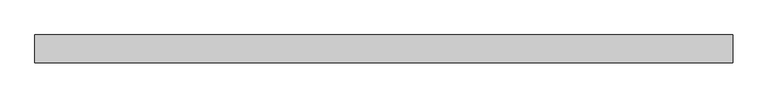
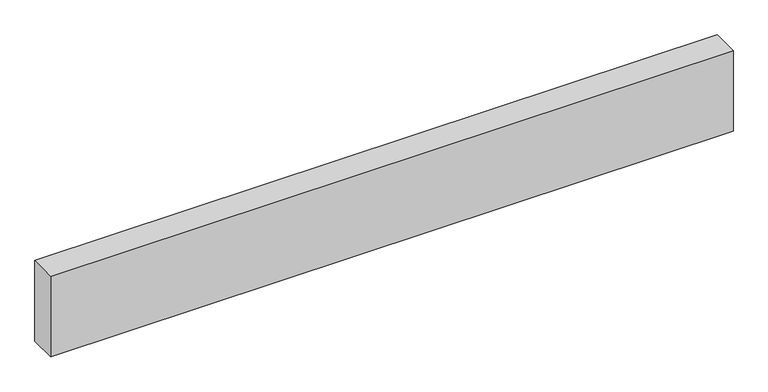
"""IFC4 building model written with IfcOpenShell, lengths in millimetres: beam geometry."""

from ifc_helpers import new_model, si_unit, frame, origin, place, context, project, spatial, polyline, outline, extrude, source, transform, mapped, element, save


def beam_df402d3c(model_context):
    return source(origin(), model_context, "Body", "SweptSolid", [
        extrude(outline(polyline([(1000.0, -155.0), (-1000.0, -155.0), (-1000.0, -75.0), (1000.0, -75.0), (1000.0, -155.0)])), frame((0.0, 0.0, 2000.0), z_axis=(0.0, 0.0, 1.0), x_axis=(1.0, 0.0, 0.0)), (0.0, 0.0, 1.0), 250.0),
    ])


if __name__ == "__main__":
    model = new_model("IFC4")
    model_context = context("Model", 3, world=origin())
    ifc_project = project(units=[si_unit("LENGTHUNIT", "METRE", prefix="MILLI")], contexts=[model_context])
    site = spatial("IfcSite", under=ifc_project)
    building = spatial("IfcBuilding", under=site)
    placement = place(None, origin())
    beam_shape = beam_df402d3c(model_context)
    element("IfcBeam", 1, at=placement, inside=building, context=model_context, shape_type="MappedRepresentation", body=[
        mapped(beam_shape, transform((0.0, 0.0, 0.0), x_axis=(1.0, 0.0, 0.0), y_axis=(0.0, 1.0, 0.0), z_axis=(0.0, 0.0, 1.0))),
    ])
    save(model, "model.ifc")
